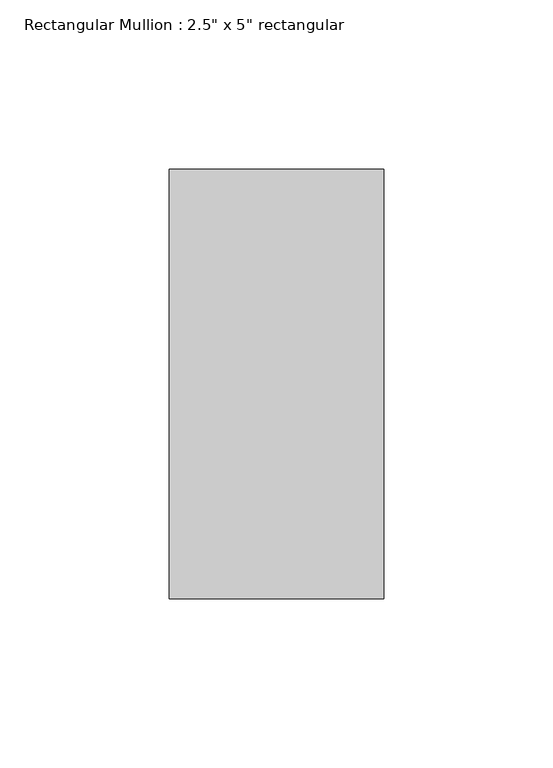
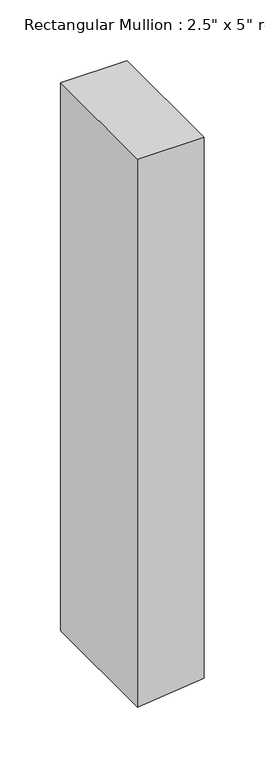
"""IFC4 building model written with IfcOpenShell, lengths in millimetres: member geometry."""

from ifc_helpers import new_model, si_unit, frame, origin, place, context, project, spatial, polyline, outline, extrude, source, transform, mapped, element, save


def member_9395cdfa(model_context):
    return source(origin(), model_context, "Body", "SweptSolid", [
        extrude(outline(polyline([(0.0, 0.0), (0.0, -63.5), (-551.6536362, -63.5), (-544.4582724, 0.0), (0.0, 0.0)])), frame((0.0, -63.5, 0.0), z_axis=(0.0, 1.0, 0.0), x_axis=(0.0, 0.0, 1.0)), (0.0, 0.0, 1.0), 127.0),
    ])


if __name__ == "__main__":
    model = new_model("IFC4")
    model_context = context("Model", 3, world=origin())
    ifc_project = project(units=[si_unit("LENGTHUNIT", "METRE", prefix="MILLI")], contexts=[model_context])
    site = spatial("IfcSite", under=ifc_project)
    building = spatial("IfcBuilding", under=site)
    placement = place(None, origin())
    member_shape = member_9395cdfa(model_context)
    element("IfcMember", 1, ObjectType="Rectangular Mullion : 2.5\" x 5\" rectangular", at=placement, inside=building, context=model_context, shape_type="MappedRepresentation", body=[
        mapped(member_shape, transform((0.0, 0.0, 0.0), x_axis=(1.0, 0.0, 0.0), y_axis=(0.0, 1.0, 0.0), z_axis=(0.0, 0.0, 1.0))),
    ])
    save(model, "model.ifc")
